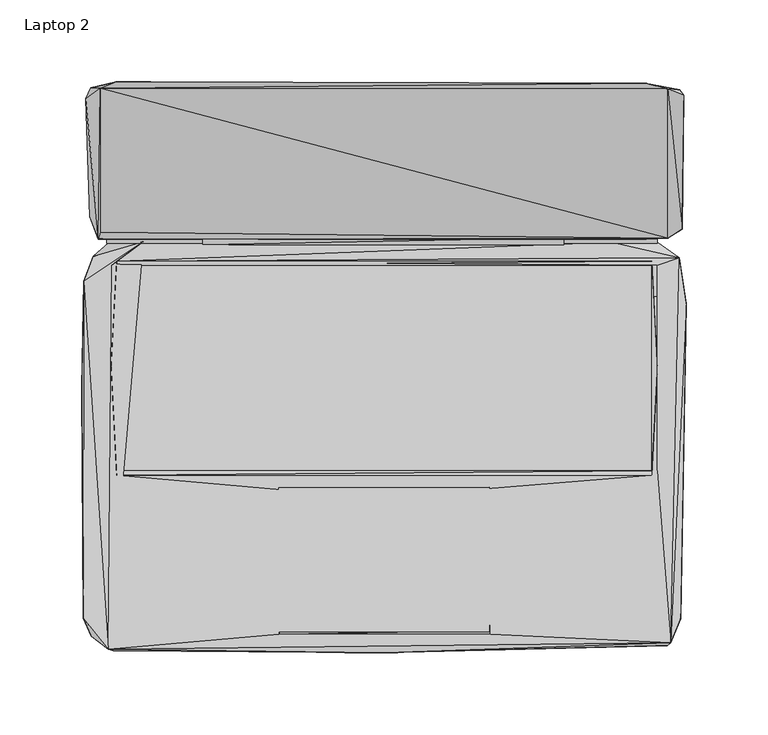
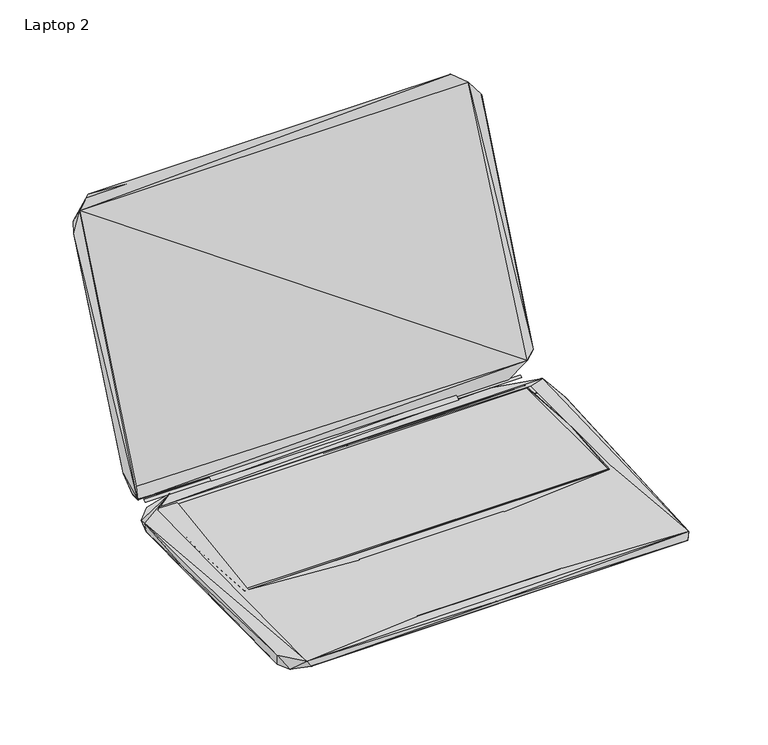
"""IFC4 building model written with IfcOpenShell, lengths in millimetres: furniture geometry, Laptop 2."""

import ifcopenshell
import ifcopenshell.guid

model = None  # the IFC model being written
_history = None  # IfcOwnerHistory: only IFC2X3 demands one
_inside = {}  # id of a spatial element -> (the spatial element, [elements in it])
_under = {}  # id of a project, library or spatial element -> (it, [spatial elements below it])
_declared = {}  # id of a project -> (the project, [libraries it declares])
_typed = {}  # id of a type object -> (the type object, [elements of that type])
_made_of = {}  # id of a material, layer set ... -> (it, [elements and type objects made of it])


def new_model(schema):
    """Start an empty IFC model of exactly this schema.

    Asked for "IFC4X3", IfcOpenShell would pick the latest addendum, in which some entities
    have other attributes; the version numbers below select the first issue.
    IFC2X3 requires an IfcOwnerHistory on every rooted entity: one is made here for all.
    """
    global model, _history
    if schema == "IFC4X3":
        model = ifcopenshell.file(schema_version=(4, 3, 0, 0))
    else:
        model = ifcopenshell.file(schema=schema)
    _inside.clear()
    _under.clear()
    _declared.clear()
    _typed.clear()
    _made_of.clear()
    _history = None
    if model.schema == "IFC2X3":
        org = make("IfcOrganization", Name="unknown")
        user = make(
            "IfcPersonAndOrganization",
            ThePerson=make("IfcPerson", FamilyName="unknown"),
            TheOrganization=org,
        )
        app = make(
            "IfcApplication",
            ApplicationDeveloper=org,
            Version="unknown",
            ApplicationFullName="unknown",
            ApplicationIdentifier="unknown",
        )
        _history = make(
            "IfcOwnerHistory",
            OwningUser=user,
            OwningApplication=app,
            ChangeAction="ADDED",
            CreationDate=0,
        )
    return model


def make(cls, **values):
    """One entity of the class cls with the attributes given. An attribute that is None is left unset."""
    return model.create_entity(
        cls, **{name: value for name, value in values.items() if value is not None}
    )


def rooted(cls, **values):
    """An entity with a GlobalId (a new one), such as an element, a storey or a relation."""
    return make(cls, GlobalId=ifcopenshell.guid.new(), OwnerHistory=_history, **values)


def si_unit(unit_type, name, prefix=None):
    """IfcSIUnit, for example si_unit("LENGTHUNIT", "METRE", prefix="MILLI")."""
    return make("IfcSIUnit", UnitType=unit_type, Prefix=prefix, Name=name)


def assignment(units):
    """IfcUnitAssignment: the units of a project."""
    return None if units is None else make("IfcUnitAssignment", Units=units)


def point(xyz):
    """IfcCartesianPoint."""
    return None if xyz is None else make("IfcCartesianPoint", Coordinates=xyz)


def direction(xyz):
    """IfcDirection."""
    return None if xyz is None else make("IfcDirection", DirectionRatios=xyz)


def frame(location, z_axis=None, x_axis=None):
    """IfcAxis2Placement3D, a coordinate frame: its origin and axes. An axis left out is left unset."""
    return make(
        "IfcAxis2Placement3D",
        Location=point(location),
        Axis=direction(z_axis),
        RefDirection=direction(x_axis),
    )


def origin():
    """The frame at (0, 0, 0) with its axes left unset."""
    return frame((0.0, 0.0, 0.0))


def place(relative_to, where):
    """IfcLocalPlacement: puts the frame where relative to a parent placement (None: the world)."""
    return make(
        "IfcLocalPlacement", PlacementRelTo=relative_to, RelativePlacement=where
    )


def context(
    kind, dimensions, precision=None, world=None, true_north=None, identifier=None
):
    """IfcGeometricRepresentationContext, for example the 3D "Model" context."""
    return make(
        "IfcGeometricRepresentationContext",
        ContextIdentifier=identifier,
        ContextType=kind,
        CoordinateSpaceDimension=dimensions,
        Precision=precision,
        WorldCoordinateSystem=world,
        TrueNorth=true_north,
    )


def project(units=None, contexts=None):
    """IfcProject with its units and contexts."""
    return rooted(
        "IfcProject",
        Name="project",
        RepresentationContexts=contexts,
        UnitsInContext=assignment(units),
    )


def spatial(cls, under=None, at=None, **own):
    """A site, building, storey or space (cls), placed at a placement, below another one or the project."""
    s = rooted(cls, ObjectPlacement=at, **own)
    if under is not None:
        _under.setdefault(under.id(), (under, []))[1].append(s)
    return s


def point_list(points):
    """IfcCartesianPointList2D or 3D."""
    cls = (
        "IfcCartesianPointList2D" if len(points[0]) == 2 else "IfcCartesianPointList3D"
    )
    return make(cls, CoordList=points)


def triangles(points, corners, closed=None, point_numbers=None):
    """IfcTriangulatedFaceSet: each triangle names its three corners, points numbered from 1."""
    return make(
        "IfcTriangulatedFaceSet",
        Coordinates=point_list(points),
        Closed=closed,
        CoordIndex=corners,
        PnIndex=point_numbers,
    )


def shape(context_of_items, identifier, shape_type, items):
    """IfcShapeRepresentation: the items that make up one representation, for example the "Body"."""
    return make(
        "IfcShapeRepresentation",
        ContextOfItems=context_of_items,
        RepresentationIdentifier=identifier,
        RepresentationType=shape_type,
        Items=items,
    )


def source(mapping_origin, context_of_items, identifier, shape_type, items):
    """IfcRepresentationMap: a shape defined once, which mapped items show again and again."""
    return make(
        "IfcRepresentationMap",
        MappingOrigin=mapping_origin,
        MappedRepresentation=shape(context_of_items, identifier, shape_type, items),
    )


def transform(
    local_origin,
    x_axis=None,
    y_axis=None,
    z_axis=None,
    scale=None,
    scale2=None,
    scale3=None,
    uniform=True,
):
    """IfcCartesianTransformationOperator3D, or its non-uniform kind. x_axis, y_axis, z_axis: its Axis1, 2, 3."""
    if uniform:
        return make(
            "IfcCartesianTransformationOperator3D",
            Axis1=direction(x_axis),
            Axis2=direction(y_axis),
            LocalOrigin=point(local_origin),
            Scale=scale,
            Axis3=direction(z_axis),
        )
    return make(
        "IfcCartesianTransformationOperator3DnonUniform",
        Axis1=direction(x_axis),
        Axis2=direction(y_axis),
        LocalOrigin=point(local_origin),
        Scale=scale,
        Axis3=direction(z_axis),
        Scale2=scale2,
        Scale3=scale3,
    )


def mapped(mapping_source, mapping_target):
    """IfcMappedItem: shows the shape of a source again, moved by a transform."""
    return make(
        "IfcMappedItem", MappingSource=mapping_source, MappingTarget=mapping_target
    )


def made_of(thing, what):
    """Note that an element or type object is made of a material, layer set ...; save() writes the relation."""
    if what is not None:
        _made_of.setdefault(what.id(), (what, []))[1].append(thing)
    return thing


def element(
    cls,
    number,
    at=None,
    inside=None,
    cuts=None,
    type_object=None,
    material=None,
    context=None,
    identifier="Body",
    shape_type=None,
    held_by="IfcProductDefinitionShape",
    body=None,
    shapes=None,
    **own,
):
    """One element of the class cls, such as IfcWall. Its Tag is "e" and its number.

    at: its placement. inside: the storey or other place that contains it. cuts: it is an
    opening in that element (IfcRelVoidsElement). A single representation is given by context,
    identifier, shape_type and body (its items); several are given by shapes. held_by: the class
    of the entity that holds the representations. save() writes the other relations.
    """
    e = rooted(cls, Tag="e%d" % number, ObjectPlacement=at, **own)
    if body is not None:
        shapes = [shape(context, identifier, shape_type, body)]
    if shapes is not None:
        e.Representation = make(held_by, Representations=shapes)
    if inside is not None:
        _inside.setdefault(inside.id(), (inside, []))[1].append(e)
    if cuts is not None:
        rooted(
            "IfcRelVoidsElement", RelatingBuildingElement=cuts, RelatedOpeningElement=e
        )
    if type_object is not None:
        _typed.setdefault(type_object.id(), (type_object, []))[1].append(e)
    return made_of(e, material)


def aggregate(whole, parts):
    """IfcRelAggregates: a whole, such as a stair, and the parts it consists of."""
    return rooted("IfcRelAggregates", RelatingObject=whole, RelatedObjects=parts)


def save(model, path):
    """Write the relations noted so far, then the file.

    IfcRelAggregates (storeys below a building ...), IfcRelContainedInSpatialStructure (elements
    in a storey), IfcRelDefinesByType, IfcRelAssociatesMaterial and IfcRelDeclares: one each for
    every whole, place, type object, material and project.
    """
    for whole, parts in _under.values():
        aggregate(whole, parts)
    for where, things in _inside.values():
        rooted(
            "IfcRelContainedInSpatialStructure",
            RelatedElements=things,
            RelatingStructure=where,
        )
    for kind, things in _typed.values():
        rooted("IfcRelDefinesByType", RelatedObjects=things, RelatingType=kind)
    for what, things in _made_of.values():
        rooted("IfcRelAssociatesMaterial", RelatedObjects=things, RelatingMaterial=what)
    for by, libraries in _declared.values():
        rooted("IfcRelDeclares", RelatingContext=by, RelatedDefinitions=libraries)
    model.write(path)


def laptop_2_a45c7089(model_context):
    return source(origin(), model_context, "Body", "Tessellation", [
        triangles([(-110.8122133, 74.6278076, 10.6596248), (109.6013587, 74.627794, 10.6596248), (109.7013526, 79.027798, 13.559625), (-110.8122133, 79.12781, 13.559625), (-177.7495428, 67.5618281, 1.9875597), (-147.0631074, 76.4618299, 11.2875593), (-168.0495353, 76.0618317, 5.7875595), (179.8283585, 64.0618147, 1.3875597), (-175.7495377, 83.7618295, 15.6875588), (179.7283646, 88.3618122, 24.887557), (153.6283589, 77.6618112, 9.9875603), (-174.5495383, 78.1618261, 13.8875596), (-173.4495509, 82.3618241, 23.5875592), (-173.4495327, 170.083768, 230.6309262), (173.2283617, 78.5618108, 23.5875592), (-182.3495164, 163.783771, 215.930915), (-169.4495407, 75.7618318, 11.0875602), (166.7283587, 75.7618182, 11.0875602), (-169.4495407, 78.1618261, 12.3875592), (166.7283587, 78.161817, 12.3875592), (138.5419342, 76.3618088, 10.7875592), (166.8283708, 76.2618149, 5.8875596), (-166.3495482, 62.0618323, 11.38756), (-163.1495437, 64.7618264, 11.38756), (-163.1495437, 62.1618353, 10.6875596), (163.4283603, 64.7618083, 11.38756), (166.7283587, 62.1618125, 11.4875596), (180.1283584, 66.7618134, 11.1875598), (163.4283603, 62.1618125, 10.6875596), (181.8283636, 84.2618081, 27.087559), (173.2283798, 169.9837378, 230.7309201), (183.0283812, 165.9837276, 217.9309201), (180.4283764, 169.283726, 219.6309072), (-179.2495239, 170.3837678, 222.6309239), (-163.4495254, 174.0837782, 240.2309216), (159.4283682, 173.2837362, 240.9309152), (-183.6495461, -153.3039601, 10.6875596), (-182.5495587, -150.8039673, 0.2875598), (-178.8495665, -164.2039488, 2.0875598), (-168.3495533, -172.3039631, 11.1875598), (-184.5495456, -12.960101, 6.4875599), (-183.349528, 52.5508621, 10.0875599), (-180.9495473, 54.1508644, 0.2875598), (180.9283459, -153.7039902, 0.3875598), (-165.1495488, -173.3039566, 5.9875598), (172.9283436, -170.0039945, 4.2875599), (-0.1173719, -174.3039864, 9.9875603), (-64.3902512, -163.2039917, 11.4875596), (-62.6902505, -74.882039, 10.9875595), (174.8283548, -168.4040013, 11.2875593), (64.6690496, -163.2039917, 11.4875596), (-166.549536, -63.3820369, 11.4875596), (-162.9495559, -66.0820402, 11.4875596), (-64.3902512, -161.8039681, 11.0875602), (64.2690604, -161.7039742, 11.0875602), (64.0690544, -73.4820518, 11.0875602), (-64.4902451, -73.5820366, 11.0875602), (-63.4902471, -159.8039812, 10.9875595), (62.0690493, -161.1039745, 10.9875595), (62.1690568, -74.18205, 10.9875595), (184.3283564, 38.5508446, 8.7875592), (163.4283603, -66.0820538, 11.4875596), (166.7283587, -63.3820506, 11.4875596), (182.5283572, 42.6508441, 0.1875598), (-163.1495437, -66.0820402, 11.38756), (163.4283603, -63.3820506, 10.6875596), (-163.1495437, -63.3820369, 10.6875596), (-166.549536, 0.5398977, 11.38756), (166.7283587, -1.7601221, 11.38756), (-179.8495418, 91.6618288, 32.1875588)], [[1, 2, 3], [1, 3, 4], [5, 6, 7], [5, 7, 8], [9, 10, 11], [9, 11, 12], [12, 13, 14], [12, 11, 15], [12, 15, 13], [12, 14, 16], [17, 18, 19], [19, 18, 20], [7, 6, 21], [7, 21, 22], [7, 22, 8], [23, 24, 6], [24, 25, 26], [24, 21, 6], [24, 27, 28], [24, 28, 21], [25, 29, 26], [21, 28, 22], [11, 30, 15], [11, 10, 30], [22, 28, 8], [15, 30, 31], [10, 32, 30], [10, 33, 32], [30, 32, 31], [16, 14, 34], [34, 35, 33], [34, 14, 35], [14, 36, 35], [14, 31, 36], [35, 36, 33], [36, 31, 33], [31, 32, 33], [37, 38, 39], [37, 39, 40], [37, 41, 38], [37, 42, 41], [37, 40, 42], [38, 41, 43], [38, 44, 39], [38, 43, 44], [39, 45, 40], [39, 46, 45], [39, 44, 46], [40, 23, 6], [40, 45, 47], [40, 48, 49], [40, 47, 50], [40, 51, 48], [40, 50, 51], [40, 52, 23], [40, 53, 52], [40, 49, 53], [40, 6, 42], [45, 46, 47], [54, 55, 56], [54, 56, 57], [48, 58, 49], [48, 59, 58], [48, 51, 59], [47, 46, 50], [51, 50, 60], [46, 44, 50], [50, 61, 28], [50, 44, 61], [50, 62, 60], [50, 63, 62], [50, 27, 63], [50, 28, 27], [44, 64, 61], [44, 43, 64], [65, 66, 67], [65, 62, 66], [65, 67, 68], [67, 25, 68], [53, 49, 60], [53, 60, 62], [66, 62, 69], [66, 69, 29], [41, 42, 43], [68, 25, 24], [69, 26, 29], [42, 5, 43], [42, 6, 5], [43, 5, 8], [43, 8, 64], [64, 8, 61], [61, 8, 28], [70, 9, 12], [70, 12, 16], [70, 10, 9], [70, 34, 33], [70, 33, 10], [70, 16, 34]], closed=False),
        triangles([(-163.1627697, -63.4161101, 10.6379669), (163.3643744, -63.4161237, 10.6379669), (-163.1627697, 62.2339693, 10.6379669), (163.3643744, 62.2339466, 10.6379669)], [[1, 2, 3], [2, 4, 3]], closed=False),
        triangles([(-173.4428653, 82.3395962, 23.5443364), (173.2898041, 78.5395919, 23.5443364), (-173.4428471, 170.1375438, 230.6010043), (173.2898223, 169.9375015, 230.6010043)], [[1, 2, 3], [2, 4, 3]], closed=False),
    ])


if __name__ == "__main__":
    model = new_model("IFC4")
    model_context = context("Model", 3, world=origin())
    ifc_project = project(units=[si_unit("LENGTHUNIT", "METRE", prefix="MILLI")], contexts=[model_context])
    site = spatial("IfcSite", under=ifc_project)
    building = spatial("IfcBuilding", under=site)
    placement = place(None, origin())
    laptop_2_shape = laptop_2_a45c7089(model_context)
    element("IfcFurniture", 1, ObjectType="Laptop 2", at=placement, inside=building, context=model_context, shape_type="MappedRepresentation", body=[
        mapped(laptop_2_shape, transform((0.0, 0.0, 0.0), x_axis=(1.0, 0.0, 0.0), y_axis=(0.0, 1.0, 0.0), z_axis=(0.0, 0.0, 1.0))),
    ])
    save(model, "model.ifc")
